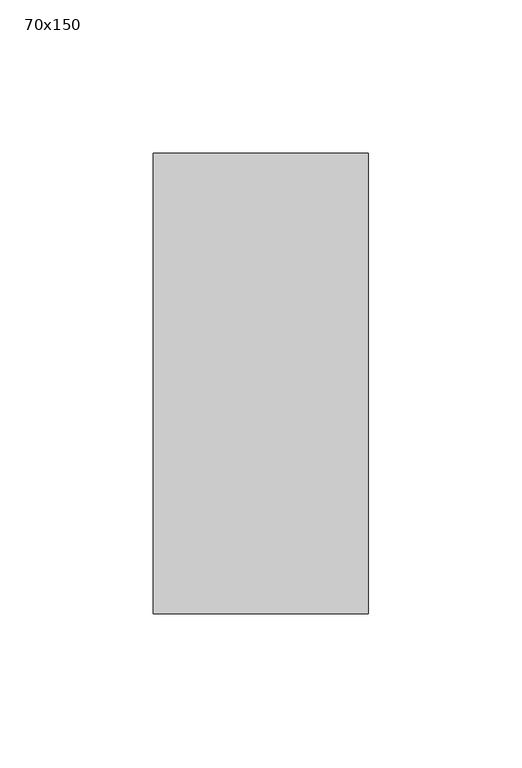
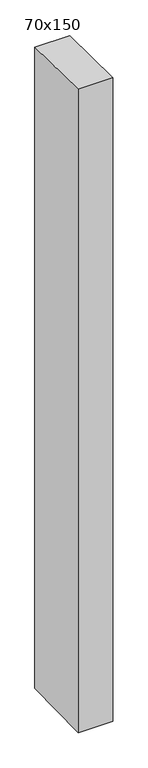
"""IFC4 building model written with IfcOpenShell, lengths in millimetres: member geometry, 70x150."""

from ifc_helpers import new_model, si_unit, frame, origin, place, context, project, spatial, polyline, outline, extrude, source, transform, mapped, element, save


def member_70x150_f12d241e(model_context):
    return source(origin(), model_context, "Body", "SweptSolid", [
        extrude(outline(polyline([(-75.0, 0.8390931), (75.0, -0.8390931), (75.0, -1361.4786031), (-75.0, -1365.1216116), (-75.0, 0.8390931)])), frame((-70.0, 0.0, 0.0), z_axis=(1.0, 0.0, 0.0), x_axis=(0.0, 1.0, 0.0)), (0.0, 0.0, 1.0), 70.0),
    ])


if __name__ == "__main__":
    model = new_model("IFC4")
    model_context = context("Model", 3, world=origin())
    ifc_project = project(units=[si_unit("LENGTHUNIT", "METRE", prefix="MILLI")], contexts=[model_context])
    site = spatial("IfcSite", under=ifc_project)
    building = spatial("IfcBuilding", under=site)
    placement = place(None, origin())
    member_70x150_shape = member_70x150_f12d241e(model_context)
    element("IfcMember", 1, ObjectType="70x150", at=placement, inside=building, context=model_context, shape_type="MappedRepresentation", body=[
        mapped(member_70x150_shape, transform((0.0, 0.0, 0.0), x_axis=(1.0, 0.0, 0.0), y_axis=(0.0, 1.0, 0.0), z_axis=(0.0, 0.0, 1.0))),
    ])
    save(model, "model.ifc")
